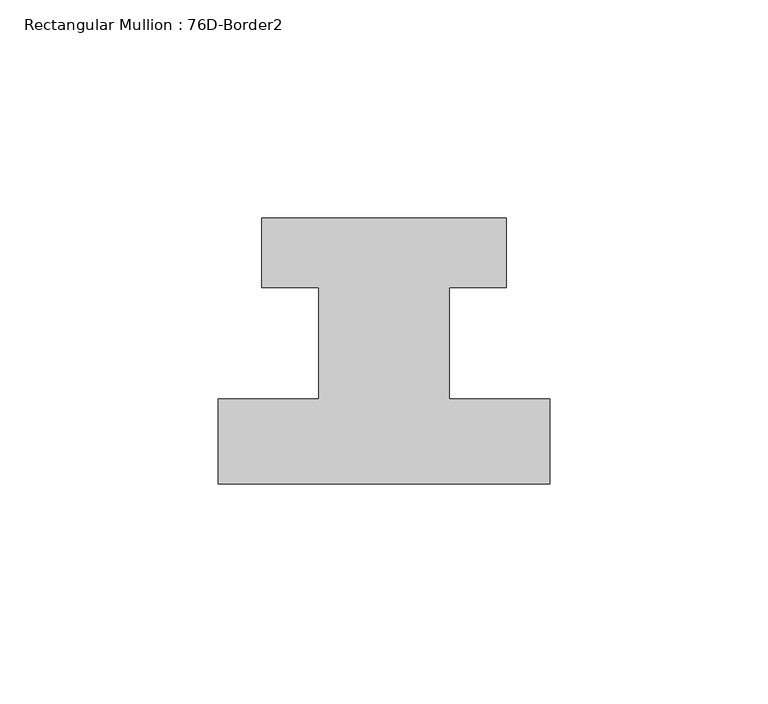
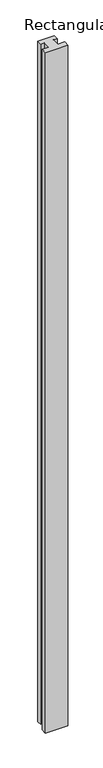
"""IFC4 building model written with IfcOpenShell, lengths in millimetres: member geometry, Rectangular Mullion : 76D-Border2."""

import ifcopenshell
import ifcopenshell.guid

model = None  # the IFC model being written
_history = None  # IfcOwnerHistory: only IFC2X3 demands one
_inside = {}  # id of a spatial element -> (the spatial element, [elements in it])
_under = {}  # id of a project, library or spatial element -> (it, [spatial elements below it])
_declared = {}  # id of a project -> (the project, [libraries it declares])
_typed = {}  # id of a type object -> (the type object, [elements of that type])
_made_of = {}  # id of a material, layer set ... -> (it, [elements and type objects made of it])


def new_model(schema):
    """Start an empty IFC model of exactly this schema.

    Asked for "IFC4X3", IfcOpenShell would pick the latest addendum, in which some entities
    have other attributes; the version numbers below select the first issue.
    IFC2X3 requires an IfcOwnerHistory on every rooted entity: one is made here for all.
    """
    global model, _history
    if schema == "IFC4X3":
        model = ifcopenshell.file(schema_version=(4, 3, 0, 0))
    else:
        model = ifcopenshell.file(schema=schema)
    _inside.clear()
    _under.clear()
    _declared.clear()
    _typed.clear()
    _made_of.clear()
    _history = None
    if model.schema == "IFC2X3":
        org = make("IfcOrganization", Name="unknown")
        user = make(
            "IfcPersonAndOrganization",
            ThePerson=make("IfcPerson", FamilyName="unknown"),
            TheOrganization=org,
        )
        app = make(
            "IfcApplication",
            ApplicationDeveloper=org,
            Version="unknown",
            ApplicationFullName="unknown",
            ApplicationIdentifier="unknown",
        )
        _history = make(
            "IfcOwnerHistory",
            OwningUser=user,
            OwningApplication=app,
            ChangeAction="ADDED",
            CreationDate=0,
        )
    return model


def make(cls, **values):
    """One entity of the class cls with the attributes given. An attribute that is None is left unset."""
    return model.create_entity(
        cls, **{name: value for name, value in values.items() if value is not None}
    )


def rooted(cls, **values):
    """An entity with a GlobalId (a new one), such as an element, a storey or a relation."""
    return make(cls, GlobalId=ifcopenshell.guid.new(), OwnerHistory=_history, **values)


def si_unit(unit_type, name, prefix=None):
    """IfcSIUnit, for example si_unit("LENGTHUNIT", "METRE", prefix="MILLI")."""
    return make("IfcSIUnit", UnitType=unit_type, Prefix=prefix, Name=name)


def assignment(units):
    """IfcUnitAssignment: the units of a project."""
    return None if units is None else make("IfcUnitAssignment", Units=units)


def point(xyz):
    """IfcCartesianPoint."""
    return None if xyz is None else make("IfcCartesianPoint", Coordinates=xyz)


def direction(xyz):
    """IfcDirection."""
    return None if xyz is None else make("IfcDirection", DirectionRatios=xyz)


def frame(location, z_axis=None, x_axis=None):
    """IfcAxis2Placement3D, a coordinate frame: its origin and axes. An axis left out is left unset."""
    return make(
        "IfcAxis2Placement3D",
        Location=point(location),
        Axis=direction(z_axis),
        RefDirection=direction(x_axis),
    )


def origin():
    """The frame at (0, 0, 0) with its axes left unset."""
    return frame((0.0, 0.0, 0.0))


def place(relative_to, where):
    """IfcLocalPlacement: puts the frame where relative to a parent placement (None: the world)."""
    return make(
        "IfcLocalPlacement", PlacementRelTo=relative_to, RelativePlacement=where
    )


def context(
    kind, dimensions, precision=None, world=None, true_north=None, identifier=None
):
    """IfcGeometricRepresentationContext, for example the 3D "Model" context."""
    return make(
        "IfcGeometricRepresentationContext",
        ContextIdentifier=identifier,
        ContextType=kind,
        CoordinateSpaceDimension=dimensions,
        Precision=precision,
        WorldCoordinateSystem=world,
        TrueNorth=true_north,
    )


def project(units=None, contexts=None):
    """IfcProject with its units and contexts."""
    return rooted(
        "IfcProject",
        Name="project",
        RepresentationContexts=contexts,
        UnitsInContext=assignment(units),
    )


def spatial(cls, under=None, at=None, **own):
    """A site, building, storey or space (cls), placed at a placement, below another one or the project."""
    s = rooted(cls, ObjectPlacement=at, **own)
    if under is not None:
        _under.setdefault(under.id(), (under, []))[1].append(s)
    return s


def polyline(points):
    """IfcPolyline through the points."""
    return make("IfcPolyline", Points=[point(p) for p in points])


def outline(outer, holes=None, kind="AREA"):
    """IfcArbitraryClosedProfileDef: a profile drawn as a closed curve; with holes, ...WithVoids."""
    if holes is None:
        return make("IfcArbitraryClosedProfileDef", ProfileType=kind, OuterCurve=outer)
    return make(
        "IfcArbitraryProfileDefWithVoids",
        ProfileType=kind,
        OuterCurve=outer,
        InnerCurves=holes,
    )


def extrude(swept, where, along, depth):
    """IfcExtrudedAreaSolid: the profile swept, set in the frame where, extruded along a direction by depth."""
    return make(
        "IfcExtrudedAreaSolid",
        SweptArea=swept,
        Position=where,
        ExtrudedDirection=direction(along),
        Depth=depth,
    )


def shape(context_of_items, identifier, shape_type, items):
    """IfcShapeRepresentation: the items that make up one representation, for example the "Body"."""
    return make(
        "IfcShapeRepresentation",
        ContextOfItems=context_of_items,
        RepresentationIdentifier=identifier,
        RepresentationType=shape_type,
        Items=items,
    )


def source(mapping_origin, context_of_items, identifier, shape_type, items):
    """IfcRepresentationMap: a shape defined once, which mapped items show again and again."""
    return make(
        "IfcRepresentationMap",
        MappingOrigin=mapping_origin,
        MappedRepresentation=shape(context_of_items, identifier, shape_type, items),
    )


def transform(
    local_origin,
    x_axis=None,
    y_axis=None,
    z_axis=None,
    scale=None,
    scale2=None,
    scale3=None,
    uniform=True,
):
    """IfcCartesianTransformationOperator3D, or its non-uniform kind. x_axis, y_axis, z_axis: its Axis1, 2, 3."""
    if uniform:
        return make(
            "IfcCartesianTransformationOperator3D",
            Axis1=direction(x_axis),
            Axis2=direction(y_axis),
            LocalOrigin=point(local_origin),
            Scale=scale,
            Axis3=direction(z_axis),
        )
    return make(
        "IfcCartesianTransformationOperator3DnonUniform",
        Axis1=direction(x_axis),
        Axis2=direction(y_axis),
        LocalOrigin=point(local_origin),
        Scale=scale,
        Axis3=direction(z_axis),
        Scale2=scale2,
        Scale3=scale3,
    )


def mapped(mapping_source, mapping_target):
    """IfcMappedItem: shows the shape of a source again, moved by a transform."""
    return make(
        "IfcMappedItem", MappingSource=mapping_source, MappingTarget=mapping_target
    )


def made_of(thing, what):
    """Note that an element or type object is made of a material, layer set ...; save() writes the relation."""
    if what is not None:
        _made_of.setdefault(what.id(), (what, []))[1].append(thing)
    return thing


def element(
    cls,
    number,
    at=None,
    inside=None,
    cuts=None,
    type_object=None,
    material=None,
    context=None,
    identifier="Body",
    shape_type=None,
    held_by="IfcProductDefinitionShape",
    body=None,
    shapes=None,
    **own,
):
    """One element of the class cls, such as IfcWall. Its Tag is "e" and its number.

    at: its placement. inside: the storey or other place that contains it. cuts: it is an
    opening in that element (IfcRelVoidsElement). A single representation is given by context,
    identifier, shape_type and body (its items); several are given by shapes. held_by: the class
    of the entity that holds the representations. save() writes the other relations.
    """
    e = rooted(cls, Tag="e%d" % number, ObjectPlacement=at, **own)
    if body is not None:
        shapes = [shape(context, identifier, shape_type, body)]
    if shapes is not None:
        e.Representation = make(held_by, Representations=shapes)
    if inside is not None:
        _inside.setdefault(inside.id(), (inside, []))[1].append(e)
    if cuts is not None:
        rooted(
            "IfcRelVoidsElement", RelatingBuildingElement=cuts, RelatedOpeningElement=e
        )
    if type_object is not None:
        _typed.setdefault(type_object.id(), (type_object, []))[1].append(e)
    return made_of(e, material)


def aggregate(whole, parts):
    """IfcRelAggregates: a whole, such as a stair, and the parts it consists of."""
    return rooted("IfcRelAggregates", RelatingObject=whole, RelatedObjects=parts)


def save(model, path):
    """Write the relations noted so far, then the file.

    IfcRelAggregates (storeys below a building ...), IfcRelContainedInSpatialStructure (elements
    in a storey), IfcRelDefinesByType, IfcRelAssociatesMaterial and IfcRelDeclares: one each for
    every whole, place, type object, material and project.
    """
    for whole, parts in _under.values():
        aggregate(whole, parts)
    for where, things in _inside.values():
        rooted(
            "IfcRelContainedInSpatialStructure",
            RelatedElements=things,
            RelatingStructure=where,
        )
    for kind, things in _typed.values():
        rooted("IfcRelDefinesByType", RelatedObjects=things, RelatingType=kind)
    for what, things in _made_of.values():
        rooted("IfcRelAssociatesMaterial", RelatedObjects=things, RelatingMaterial=what)
    for by, libraries in _declared.values():
        rooted("IfcRelDeclares", RelatingContext=by, RelatedDefinitions=libraries)
    model.write(path)


def rectangular_mullion_76d_border2_9d925af0(model_context):
    return source(origin(), model_context, "Body", "SweptSolid", [
        extrude(outline(polyline([(0.0, -20.0), (-76.0, -20.0), (-76.0, -0.5), (-53.0, -0.5), (-53.0, 25.0), (-66.0, 25.0), (-66.0, 41.0), (-10.0, 41.0), (-10.0, 25.0), (-23.0, 25.0), (-23.0, -0.5), (0.0, -0.5), (0.0, -20.0)])), frame((0.0, 0.0, -2424.0), z_axis=(0.0, 0.0, 1.0), x_axis=(1.0, 0.0, 0.0)), (0.0, 0.0, 1.0), 2424.0),
    ])


if __name__ == "__main__":
    model = new_model("IFC4")
    model_context = context("Model", 3, world=origin())
    ifc_project = project(units=[si_unit("LENGTHUNIT", "METRE", prefix="MILLI")], contexts=[model_context])
    site = spatial("IfcSite", under=ifc_project)
    building = spatial("IfcBuilding", under=site)
    placement = place(None, origin())
    rectangular_mullion_76d_border2_shape = rectangular_mullion_76d_border2_9d925af0(model_context)
    element("IfcMember", 1, ObjectType="Rectangular Mullion : 76D-Border2", at=placement, inside=building, context=model_context, shape_type="MappedRepresentation", body=[
        mapped(rectangular_mullion_76d_border2_shape, transform((0.0, 0.0, 0.0), x_axis=(1.0, 0.0, 0.0), y_axis=(0.0, 1.0, 0.0), z_axis=(0.0, 0.0, 1.0))),
    ])
    save(model, "model.ifc")
